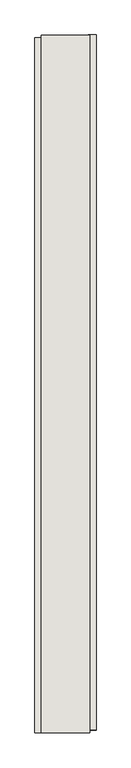
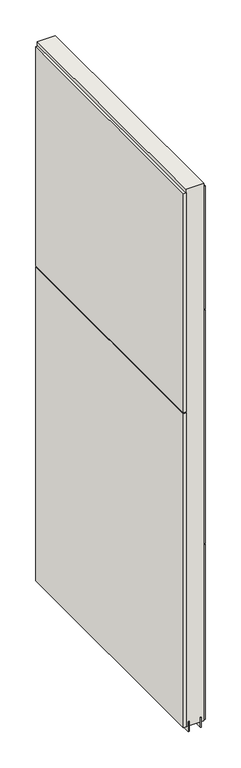
"""IFC4 building model written with IfcOpenShell, lengths in millimetres: wall geometry."""

from ifc_helpers import new_model, si_unit, frame, origin, place, context, project, spatial, polyline, outline, extrude, source, transform, mapped, element, save


def wall_15c0093f(model_context):
    return source(origin(), model_context, "Body", "SweptSolid", [
        extrude(outline(polyline([(70311.4341546, -39471.0307352), (70311.4341546, -39473.5707352), (70308.8941546, -39473.5707352), (70308.8941546, -39471.0307352), (70311.4341546, -39471.0307352)])), frame((0.0, 0.0, 4419.6), z_axis=(0.0, 0.0, 1.0), x_axis=(1.0, 0.0, 0.0)), (0.0, 0.0, 1.0), 2.54),
        extrude(outline(polyline([(70259.3641546, -40630.8954208), (70259.3641546, -39475.495598), (70272.0641546, -39475.495598), (70272.0641546, -40630.8954208), (70259.3641546, -40630.8954208)])), frame((0.0, 0.0, 5945.6000722), z_axis=(0.0, 0.0, 1.0), x_axis=(1.0, 0.0, 0.0)), (0.0, 0.0, 1.0), 1044.449905),
        extrude(outline(polyline([(70259.3641546, -40630.8954208), (70259.3641546, -39475.495598), (70272.0641546, -39475.495598), (70272.0641546, -40630.8954208), (70259.3641546, -40630.8954208)])), frame((0.0, 0.0, 4445.0), z_axis=(0.0, 0.0, 1.0), x_axis=(1.0, 0.0, 0.0)), (0.0, 0.0, 1.0), 1496.600004),
        extrude(outline(polyline([(70360.9641546, -39470.5656612), (70360.9641546, -40625.965484), (70348.2641546, -40625.965484), (70348.2641546, -39470.5656612), (70360.9641546, -39470.5656612)])), frame((0.0, 0.0, 6402.8000722), z_axis=(0.0, 0.0, 1.0), x_axis=(1.0, 0.0, 0.0)), (0.0, 0.0, 1.0), 587.2498034),
        extrude(outline(polyline([(70360.9641546, -39470.5656612), (70360.9641546, -40625.965484), (70348.2641546, -40625.965484), (70348.2641546, -39470.5656612), (70360.9641546, -39470.5656612)])), frame((0.0, 0.0, 5285.2000722), z_axis=(0.0, 0.0, 1.0), x_axis=(1.0, 0.0, 0.0)), (0.0, 0.0, 1.0), 1113.5999572),
        extrude(outline(polyline([(70360.9641546, -39470.5656612), (70360.9641546, -40625.965484), (70348.2641546, -40625.965484), (70348.2641546, -39470.5656612), (70360.9641546, -39470.5656612)])), frame((0.0, 0.0, 4445.0), z_axis=(0.0, 0.0, 1.0), x_axis=(1.0, 0.0, 0.0)), (0.0, 0.0, 1.0), 836.200004),
        extrude(outline(polyline([(70285.0742124, -39471.0418858), (70285.0742124, -40630.4253938), (70279.995457, -40630.4253938), (70279.995457, -39471.0418858), (70285.0742124, -39471.0418858)])), frame((0.0, 0.0, 4418.6602), z_axis=(0.0, 0.0, 1.0), x_axis=(1.0, 0.0, 0.0)), (0.0, 0.0, 1.0), 47.625),
        extrude(outline(polyline([(70285.0742124, -39471.0418858), (70285.0742124, -40630.4253938), (70279.995457, -40630.4253938), (70279.995457, -39471.0418858), (70285.0742124, -39471.0418858)])), frame((0.0, 0.0, 4418.6602), z_axis=(0.0, 0.0, 1.0), x_axis=(1.0, 0.0, 0.0)), (0.0, 0.0, 1.0), 47.625),
        extrude(outline(polyline([(70335.2417016, -40630.4253938), (70335.2417016, -39471.0418858), (70340.320457, -39471.0418858), (70340.320457, -40630.4253938), (70335.2417016, -40630.4253938)])), frame((0.0, 0.0, 4418.6602), z_axis=(0.0, 0.0, 1.0), x_axis=(1.0, 0.0, 0.0)), (0.0, 0.0, 1.0), 47.625),
        extrude(outline(polyline([(70335.2417016, -40630.4253938), (70335.2417016, -39471.0418858), (70340.320457, -39471.0418858), (70340.320457, -40630.4253938), (70335.2417016, -40630.4253938)])), frame((0.0, 0.0, 4418.6602), z_axis=(0.0, 0.0, 1.0), x_axis=(1.0, 0.0, 0.0)), (0.0, 0.0, 1.0), 47.625),
        extrude(outline(polyline([(70269.534086, -39471.0418858), (70350.8128414, -39471.0418858), (70350.8128414, -40630.4253938), (70269.534086, -40630.4253938), (70269.534086, -39471.0418858)])), frame((0.0, 0.0, 4445.0), z_axis=(0.0, 0.0, 1.0), x_axis=(1.0, 0.0, 0.0)), (0.0, 0.0, 1.0), 2562.4536762),
    ])


if __name__ == "__main__":
    model = new_model("IFC4")
    model_context = context("Model", 3, world=origin())
    ifc_project = project(units=[si_unit("LENGTHUNIT", "METRE", prefix="MILLI")], contexts=[model_context])
    site = spatial("IfcSite", under=ifc_project)
    building = spatial("IfcBuilding", under=site)
    placement = place(None, origin())
    wall_shape = wall_15c0093f(model_context)
    element("IfcWall", 1, at=placement, inside=building, context=model_context, shape_type="MappedRepresentation", body=[
        mapped(wall_shape, transform((0.0, 0.0, 0.0), x_axis=(1.0, 0.0, 0.0), y_axis=(0.0, 1.0, 0.0), z_axis=(0.0, 0.0, 1.0))),
    ])
    save(model, "model.ifc")
